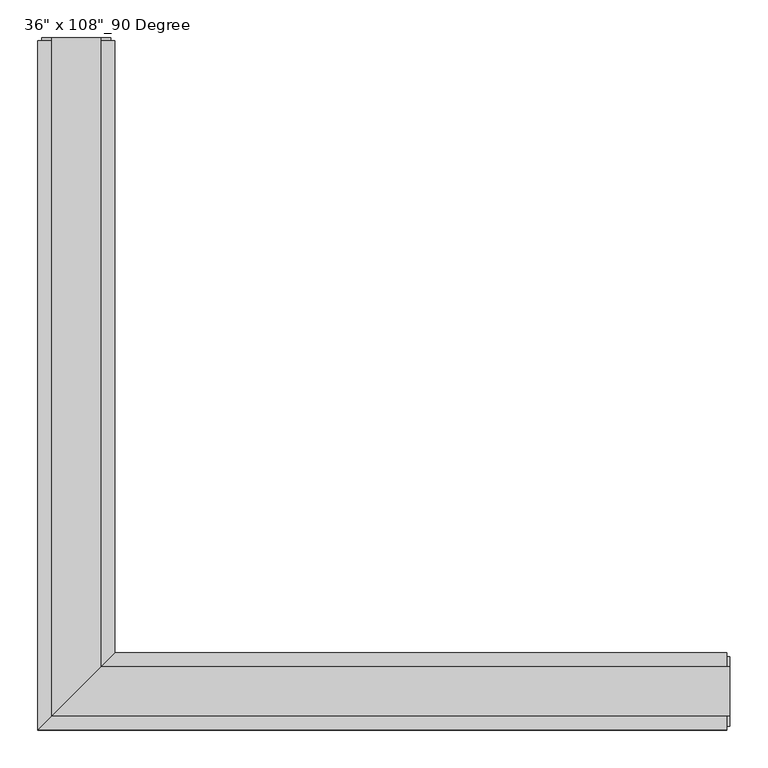
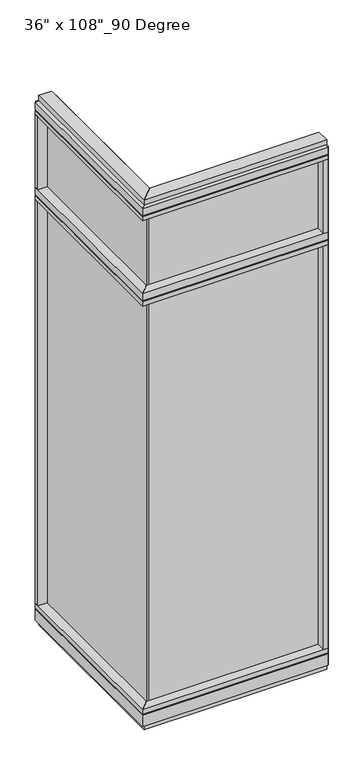
"""IFC4 building model written with IfcOpenShell, lengths in millimetres: furniture geometry."""

from ifc_helpers import new_model, si_unit, frame, origin, origin_with_axes, place, context, project, spatial, polyline, outline, extrude, faceted_brep, source, transform, mapped, element, save


def furniture_19837ea8(model_context):
    return source(origin(), model_context, "Body", "SolidModel", [
        extrude(outline(polyline([(-471.5165229, 832.9202784), (-461.3565229, 832.9202784), (-461.3565229, -9.5977216), (-471.5165229, -9.5977216), (-471.5165229, 832.9202784)])), frame((0.0, 0.0, 2276.475), z_axis=(0.0, 0.0, 1.0), x_axis=(1.0, 0.0, 0.0)), (0.0, 0.0, 1.0), 355.6),
        extrude(outline(polyline([(-471.5165229, 832.9202784), (-461.3565229, 832.9202784), (-461.3565229, -9.5977216), (-471.5165229, -9.5977216), (-471.5165229, 832.9202784)])), frame((0.0, 0.0, 120.523), z_axis=(0.0, 0.0, 1.0), x_axis=(1.0, 0.0, 0.0)), (0.0, 0.0, 1.0), 2114.677),
        extrude(outline(polyline([(-415.6365229, 855.1452784), (-415.6365229, 46.2822784), (-517.2365229, -55.3177216), (-517.2365229, 855.1452784), (-415.6365229, 855.1452784)])), frame((0.0, 0.0, 2212.975), z_axis=(0.0, 0.0, 1.0), x_axis=(1.0, 0.0, 0.0)), (0.0, 0.0, 1.0), 22.225),
        faceted_brep([(-415.6365229, 46.2822784, 2240.153), (-415.6365229, 46.2822784, 2276.475), (-517.2365229, -55.3177216, 2276.475), (-517.2365229, -55.3177216, 2240.153), (-512.2835229, -50.3647216, 2240.153), (-512.2835229, -50.3647216, 2235.2), (-420.5895229, 41.3292784, 2235.2), (-420.5895229, 41.3292784, 2240.153), (-415.6365229, 855.1452784, 2240.153), (-420.5895229, 855.1452784, 2240.153), (-420.5895229, 855.1452784, 2235.2), (-512.2835229, 855.1452784, 2235.2), (-512.2835229, 855.1452784, 2240.153), (-517.2365229, 855.1452784, 2240.153), (-517.2365229, 855.1452784, 2276.475), (-415.6365229, 855.1452784, 2276.475)], [[[0, 1, 2, 3, 4, 5, 6, 7]], [[8, 9, 10, 11, 12, 13, 14, 15]], [[8, 0, 7, 9]], [[13, 3, 2, 14]], [[14, 2, 1, 15]], [[15, 1, 0, 8]], [[9, 7, 6, 10]], [[10, 6, 5, 11]], [[11, 5, 4, 12]], [[12, 4, 3, 13]]]),
        extrude(outline(polyline([(-517.2365229, 832.9202784), (-517.2365229, 855.1452784), (-415.6365229, 855.1452784), (-415.6365229, 832.9202784), (-517.2365229, 832.9202784)])), frame((0.0, 0.0, 2276.475), z_axis=(0.0, 0.0, 1.0), x_axis=(1.0, 0.0, 0.0)), (0.0, 0.0, 1.0), 377.825),
        extrude(outline(polyline([(-415.6365229, 855.1452784), (-415.6365229, 46.2822784), (-517.2365229, -55.3177216), (-517.2365229, 855.1452784), (-415.6365229, 855.1452784)])), frame((0.0, 0.0, 2654.3), z_axis=(0.0, 0.0, 1.0), x_axis=(1.0, 0.0, 0.0)), (0.0, 0.0, 1.0), 22.225),
        faceted_brep([(-415.6365229, 46.2822784, 2681.478), (-415.6365229, 46.2822784, 2717.8), (-517.2365229, -55.3177216, 2717.8), (-517.2365229, -55.3177216, 2681.478), (-512.2835229, -50.3647216, 2681.478), (-512.2835229, -50.3647216, 2676.525), (-420.5895229, 41.3292784, 2676.525), (-420.5895229, 41.3292784, 2681.478), (-415.6365229, 855.1452784, 2681.478), (-420.5895229, 855.1452784, 2681.478), (-420.5895229, 855.1452784, 2676.525), (-512.2835229, 855.1452784, 2676.525), (-512.2835229, 855.1452784, 2681.478), (-517.2365229, 855.1452784, 2681.478), (-517.2365229, 855.1452784, 2717.8), (-415.6365229, 855.1452784, 2717.8)], [[[0, 1, 2, 3, 4, 5, 6, 7]], [[8, 9, 10, 11, 12, 13, 14, 15]], [[8, 0, 7, 9]], [[13, 3, 2, 14]], [[14, 2, 1, 15]], [[15, 1, 0, 8]], [[9, 7, 6, 10]], [[10, 6, 5, 11]], [[11, 5, 4, 12]], [[12, 4, 3, 13]]]),
        extrude(outline(polyline([(-433.9245229, 859.0822784), (-433.9245229, 27.9942784), (-498.9485229, -37.0297216), (-498.9485229, 859.0822784), (-433.9245229, 859.0822784)])), frame((0.0, 0.0, 2717.8), z_axis=(0.0, 0.0, 1.0), x_axis=(1.0, 0.0, 0.0)), (0.0, 0.0, 1.0), 25.4),
        faceted_brep([(-420.5895229, 41.3292784, 93.345), (-420.5895229, 41.3292784, 98.298), (-512.2835229, -50.3647216, 98.298), (-512.2835229, -50.3647216, 93.345), (-517.2365229, -55.3177216, 93.345), (-517.2365229, -55.3177216, 31.75), (-415.6365229, 46.2822784, 31.75), (-415.6365229, 46.2822784, 93.345), (-415.6365229, 855.1452784, 93.345), (-415.6365229, 855.1452784, 31.75), (-517.2365229, 855.1452784, 31.75), (-517.2365229, 855.1452784, 93.345), (-512.2835229, 855.1452784, 93.345), (-512.2835229, 855.1452784, 98.298), (-420.5895229, 855.1452784, 98.298), (-420.5895229, 855.1452784, 93.345)], [[[0, 1, 2, 3, 4, 5, 6, 7]], [[8, 9, 10, 11, 12, 13, 14, 15]], [[15, 0, 7, 8]], [[10, 5, 4, 11]], [[9, 6, 5, 10]], [[8, 7, 6, 9]], [[14, 1, 0, 15]], [[13, 2, 1, 14]], [[12, 3, 2, 13]], [[11, 4, 3, 12]]]),
        extrude(outline(polyline([(-415.6365229, 855.1452784), (-415.6365229, 46.2822784), (-517.2365229, -55.3177216), (-517.2365229, 855.1452784), (-415.6365229, 855.1452784)])), frame((0.0, 0.0, 98.298), z_axis=(0.0, 0.0, 1.0), x_axis=(1.0, 0.0, 0.0)), (0.0, 0.0, 1.0), 22.225),
        extrude(outline(polyline([(-433.9245229, 859.0822784), (-433.9245229, 27.9942784), (-498.9485229, -37.0297216), (-498.9485229, 859.0822784), (-433.9245229, 859.0822784)])), origin_with_axes(), (0.0, 0.0, 1.0), 31.75),
        extrude(outline(polyline([(-517.2365229, 832.9202784), (-517.2365229, 855.1452784), (-415.6365229, 855.1452784), (-415.6365229, 832.9202784), (-517.2365229, 832.9202784)])), frame((0.0, 0.0, 120.523), z_axis=(0.0, 0.0, 1.0), x_axis=(1.0, 0.0, 0.0)), (0.0, 0.0, 1.0), 2092.452),
        extrude(outline(polyline([(-512.2835229, 859.0822784), (-420.5895229, 859.0822784), (-420.5895229, 855.1452784), (-512.2835229, 855.1452784), (-512.2835229, 859.0822784)])), frame((0.0, 0.0, 31.75), z_axis=(0.0, 0.0, 1.0), x_axis=(1.0, 0.0, 0.0)), (0.0, 0.0, 1.0), 2686.05),
        extrude(outline(polyline([(371.0014771, -9.5977216), (-471.5165229, -9.5977216), (-471.5165229, 0.5622784), (371.0014771, 0.5622784), (371.0014771, -9.5977216)])), frame((0.0, 0.0, 2276.475), z_axis=(0.0, 0.0, 1.0), x_axis=(1.0, 0.0, 0.0)), (0.0, 0.0, 1.0), 355.6),
        extrude(outline(polyline([(371.0014771, -9.5977216), (-471.5165229, -9.5977216), (-471.5165229, 0.5622784), (371.0014771, 0.5622784), (371.0014771, -9.5977216)])), frame((0.0, 0.0, 120.523), z_axis=(0.0, 0.0, 1.0), x_axis=(1.0, 0.0, 0.0)), (0.0, 0.0, 1.0), 2114.677),
        extrude(outline(polyline([(393.2264771, 46.2822784), (393.2264771, -55.3177216), (-517.2365229, -55.3177216), (-415.6365229, 46.2822784), (393.2264771, 46.2822784)])), frame((0.0, 0.0, 2212.975), z_axis=(0.0, 0.0, 1.0), x_axis=(1.0, 0.0, 0.0)), (0.0, 0.0, 1.0), 22.225),
        faceted_brep([(-415.6365229, 46.2822784, 2240.153), (-420.5895229, 41.3292784, 2240.153), (-420.5895229, 41.3292784, 2235.2), (-512.2835229, -50.3647216, 2235.2), (-512.2835229, -50.3647216, 2240.153), (-517.2365229, -55.3177216, 2240.153), (-517.2365229, -55.3177216, 2276.475), (-415.6365229, 46.2822784, 2276.475), (393.2264771, 46.2822784, 2240.153), (393.2264771, 46.2822784, 2276.475), (393.2264771, -55.3177216, 2276.475), (393.2264771, -55.3177216, 2240.153), (393.2264771, -50.3647216, 2240.153), (393.2264771, -50.3647216, 2235.2), (393.2264771, 41.3292784, 2235.2), (393.2264771, 41.3292784, 2240.153)], [[[0, 1, 2, 3, 4, 5, 6, 7]], [[8, 9, 10, 11, 12, 13, 14, 15]], [[8, 15, 1, 0]], [[11, 10, 6, 5]], [[10, 9, 7, 6]], [[9, 8, 0, 7]], [[15, 14, 2, 1]], [[14, 13, 3, 2]], [[13, 12, 4, 3]], [[12, 11, 5, 4]]]),
        extrude(outline(polyline([(371.0014771, -55.3177216), (371.0014771, 46.2822784), (393.2264771, 46.2822784), (393.2264771, -55.3177216), (371.0014771, -55.3177216)])), frame((0.0, 0.0, 2276.475), z_axis=(0.0, 0.0, 1.0), x_axis=(1.0, 0.0, 0.0)), (0.0, 0.0, 1.0), 377.825),
        extrude(outline(polyline([(393.2264771, 46.2822784), (393.2264771, -55.3177216), (-517.2365229, -55.3177216), (-415.6365229, 46.2822784), (393.2264771, 46.2822784)])), frame((0.0, 0.0, 2654.3), z_axis=(0.0, 0.0, 1.0), x_axis=(1.0, 0.0, 0.0)), (0.0, 0.0, 1.0), 22.225),
        faceted_brep([(-415.6365229, 46.2822784, 2681.478), (-420.5895229, 41.3292784, 2681.478), (-420.5895229, 41.3292784, 2676.525), (-512.2835229, -50.3647216, 2676.525), (-512.2835229, -50.3647216, 2681.478), (-517.2365229, -55.3177216, 2681.478), (-517.2365229, -55.3177216, 2717.8), (-415.6365229, 46.2822784, 2717.8), (393.2264771, 46.2822784, 2681.478), (393.2264771, 46.2822784, 2717.8), (393.2264771, -55.3177216, 2717.8), (393.2264771, -55.3177216, 2681.478), (393.2264771, -50.3647216, 2681.478), (393.2264771, -50.3647216, 2676.525), (393.2264771, 41.3292784, 2676.525), (393.2264771, 41.3292784, 2681.478)], [[[0, 1, 2, 3, 4, 5, 6, 7]], [[8, 9, 10, 11, 12, 13, 14, 15]], [[8, 15, 1, 0]], [[11, 10, 6, 5]], [[10, 9, 7, 6]], [[9, 8, 0, 7]], [[15, 14, 2, 1]], [[14, 13, 3, 2]], [[13, 12, 4, 3]], [[12, 11, 5, 4]]]),
        extrude(outline(polyline([(397.1634771, 27.9942784), (397.1634771, -37.0297216), (-498.9485229, -37.0297216), (-433.9245229, 27.9942784), (397.1634771, 27.9942784)])), frame((0.0, 0.0, 2717.8), z_axis=(0.0, 0.0, 1.0), x_axis=(1.0, 0.0, 0.0)), (0.0, 0.0, 1.0), 25.4),
        faceted_brep([(-420.5895229, 41.3292784, 93.345), (-415.6365229, 46.2822784, 93.345), (-415.6365229, 46.2822784, 31.75), (-517.2365229, -55.3177216, 31.75), (-517.2365229, -55.3177216, 93.345), (-512.2835229, -50.3647216, 93.345), (-512.2835229, -50.3647216, 98.298), (-420.5895229, 41.3292784, 98.298), (393.2264771, 46.2822784, 93.345), (393.2264771, 41.3292784, 93.345), (393.2264771, 41.3292784, 98.298), (393.2264771, -50.3647216, 98.298), (393.2264771, -50.3647216, 93.345), (393.2264771, -55.3177216, 93.345), (393.2264771, -55.3177216, 31.75), (393.2264771, 46.2822784, 31.75)], [[[0, 1, 2, 3, 4, 5, 6, 7]], [[8, 9, 10, 11, 12, 13, 14, 15]], [[9, 8, 1, 0]], [[14, 13, 4, 3]], [[15, 14, 3, 2]], [[8, 15, 2, 1]], [[10, 9, 0, 7]], [[11, 10, 7, 6]], [[12, 11, 6, 5]], [[13, 12, 5, 4]]]),
        extrude(outline(polyline([(393.2264771, 46.2822784), (393.2264771, -55.3177216), (-517.2365229, -55.3177216), (-415.6365229, 46.2822784), (393.2264771, 46.2822784)])), frame((0.0, 0.0, 98.298), z_axis=(0.0, 0.0, 1.0), x_axis=(1.0, 0.0, 0.0)), (0.0, 0.0, 1.0), 22.225),
        extrude(outline(polyline([(397.1634771, 27.9942784), (397.1634771, -37.0297216), (-498.9485229, -37.0297216), (-433.9245229, 27.9942784), (397.1634771, 27.9942784)])), origin_with_axes(), (0.0, 0.0, 1.0), 31.75),
        extrude(outline(polyline([(371.0014771, -55.3177216), (371.0014771, 46.2822784), (393.2264771, 46.2822784), (393.2264771, -55.3177216), (371.0014771, -55.3177216)])), frame((0.0, 0.0, 120.523), z_axis=(0.0, 0.0, 1.0), x_axis=(1.0, 0.0, 0.0)), (0.0, 0.0, 1.0), 2092.452),
        extrude(outline(polyline([(397.1634771, -50.3647216), (393.2264771, -50.3647216), (393.2264771, 41.3292784), (397.1634771, 41.3292784), (397.1634771, -50.3647216)])), frame((0.0, 0.0, 31.75), z_axis=(0.0, 0.0, 1.0), x_axis=(1.0, 0.0, 0.0)), (0.0, 0.0, 1.0), 2686.05),
    ])


if __name__ == "__main__":
    model = new_model("IFC4")
    model_context = context("Model", 3, world=origin())
    ifc_project = project(units=[si_unit("LENGTHUNIT", "METRE", prefix="MILLI")], contexts=[model_context])
    site = spatial("IfcSite", under=ifc_project)
    building = spatial("IfcBuilding", under=site)
    placement = place(None, origin())
    furniture_shape = furniture_19837ea8(model_context)
    element("IfcFurniture", 1, ObjectType="36\" x 108\"_90 Degree", at=placement, inside=building, context=model_context, shape_type="MappedRepresentation", body=[
        mapped(furniture_shape, transform((0.0, 0.0, 0.0), x_axis=(1.0, 0.0, 0.0), y_axis=(0.0, 1.0, 0.0), z_axis=(0.0, 0.0, 1.0))),
    ])
    save(model, "model.ifc")
